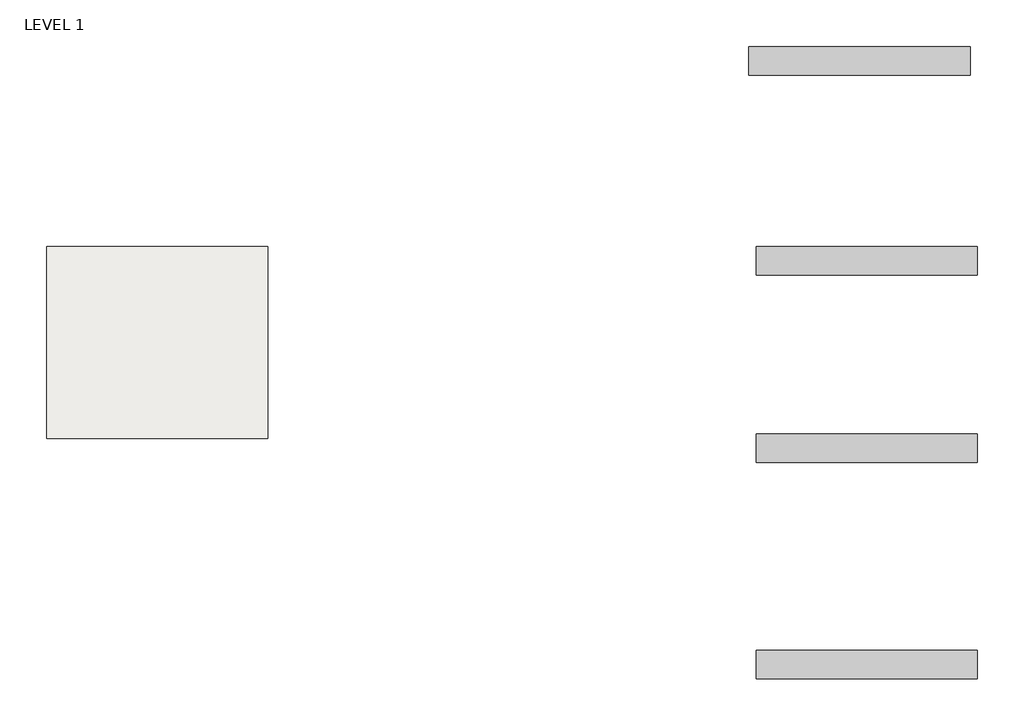
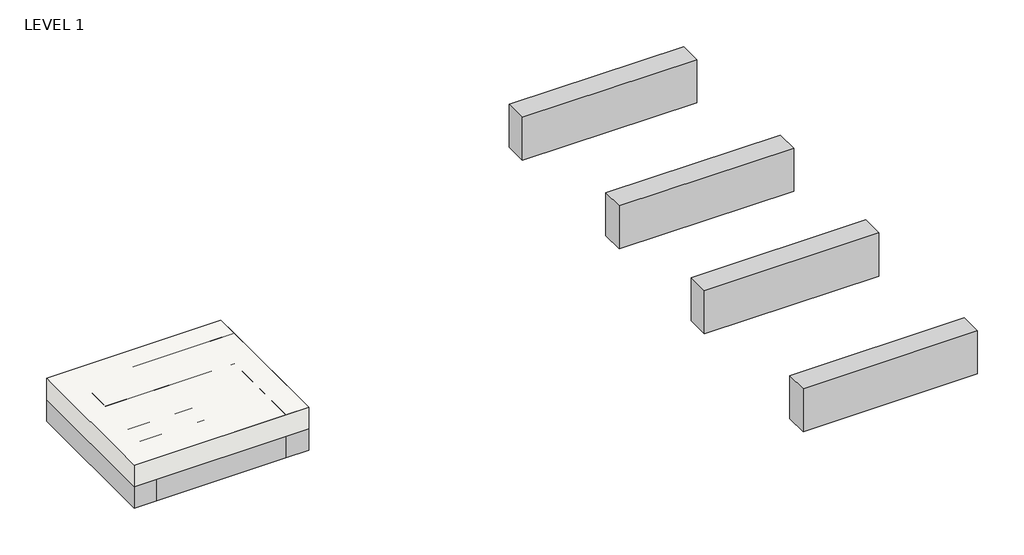
# One storey: 11 beams, 1 slab.
"""IFC4 building model written with IfcOpenShell, lengths in millimetres."""

from ifc_helpers import new_model, si_unit, frame, origin, place, context, project, spatial, polyline, outline, extrude, faceted_brep, element, save

model = new_model("IFC4")

# Units and contexts
model_context = context("Model", 3, world=origin())
ifc_project = project(units=[si_unit("LENGTHUNIT", "METRE", prefix="MILLI")], contexts=[model_context])

# Site, building, storey
site = spatial("IfcSite", under=ifc_project)
building = spatial("IfcBuilding", under=site)
storey = spatial("IfcBuildingStorey", under=building, Name="LEVEL 1", Elevation=0.0)

# Beams
placement = place(None, origin())
element("IfcBeam", 1, ObjectType="Concrete-Rectangular Beam", at=placement, inside=storey, context=model_context, shape_type="SweptSolid", body=[
    extrude(outline(polyline([(10463.1984842, 30470.6017558), (10463.1984842, 30673.8017558), (12190.3984842, 30673.8017558), (12190.3984842, 30470.6017558), (10463.1984842, 30470.6017558)])), frame((0.0, 0.0, -304.8), z_axis=(0.0, 0.0, 1.0), x_axis=(1.0, 0.0, 0.0)), (0.0, 0.0, 1.0), 304.8),
])
element("IfcBeam", 2, ObjectType="Concrete-Rectangular Beam", at=placement, inside=storey, context=model_context, shape_type="SweptSolid", body=[
    extrude(outline(polyline([(10463.1984842, 30191.2017558), (10463.1984842, 30394.4017558), (12190.3984842, 30394.4017558), (12190.3984842, 30191.2017558), (10463.1984842, 30191.2017558)])), frame((0.0, 0.0, -304.8), z_axis=(0.0, 0.0, 1.0), x_axis=(1.0, 0.0, 0.0)), (0.0, 0.0, 1.0), 304.8),
])
element("IfcBeam", 3, ObjectType="Concrete-Rectangular Beam : 12 x 24", at=placement, inside=storey, context=model_context, shape_type="Brep", body=[
    faceted_brep([(10463.1984842, 31842.2017558, 0.0), (10158.3984842, 31842.2017558, 0.0), (10158.3984842, 29810.2017558, 0.0), (10463.1984842, 29810.2017558, 0.0), (10463.1984842, 30115.0017558, 0.0), (10463.1984842, 30191.2017558, 0.0), (10463.1984842, 30394.4017558, 0.0), (10463.1984842, 30470.6017558, 0.0), (10463.1984842, 30673.8017558, 0.0), (10463.1984842, 31004.0017558, 0.0), (10463.1984842, 31308.8017558, 0.0), (10463.1984842, 31537.4017558, 0.0), (10463.1984842, 31842.2017558, -609.6), (10463.1984842, 29810.2017558, -609.6), (10463.1984842, 30115.0017558, -609.6), (10463.1984842, 31004.0017558, -609.6), (10463.1984842, 31308.8017558, -609.6), (10463.1984842, 31537.4017558, -609.6), (10158.3984842, 31842.2017558, -609.6), (10158.3984842, 29810.2017558, -609.6)], [[[0, 1, 2, 3, 4, 5, 6, 7, 8, 9, 10, 11]], [[12, 0, 11, 10, 9, 8, 7, 6, 5, 4, 3, 13, 14, 15, 16, 17]], [[18, 12, 17, 16, 15, 14, 13, 19]], [[1, 18, 19, 2]], [[1, 0, 12, 18]], [[3, 2, 19, 13]]]),
])
element("IfcBeam", 4, ObjectType="Concrete-Rectangular Beam : 12 x 24", at=placement, inside=storey, context=model_context, shape_type="Brep", body=[
    faceted_brep([(12495.1984842, 31537.4017558, 0.0), (12495.1984842, 31842.2017558, 0.0), (10463.1984842, 31842.2017558, 0.0), (10463.1984842, 31537.4017558, 0.0), (12190.3984842, 31537.4017558, 0.0), (12495.1984842, 31537.4017558, -609.6), (10463.1984842, 31537.4017558, -609.6), (12190.3984842, 31537.4017558, -609.6), (12495.1984842, 31842.2017558, -609.6), (10463.1984842, 31842.2017558, -609.6)], [[[0, 1, 2, 3, 4]], [[5, 0, 4, 3, 6, 7]], [[8, 5, 7, 6, 9]], [[1, 8, 9, 2]], [[3, 2, 9, 6]], [[1, 0, 5, 8]]]),
])
element("IfcBeam", 5, ObjectType="Concrete-Rectangular Beam : 12 x 24", at=placement, inside=storey, context=model_context, shape_type="Brep", body=[
    faceted_brep([(12190.3984842, 29810.2017558, 0.0), (12495.1984842, 29810.2017558, 0.0), (12495.1984842, 31537.4017558, 0.0), (12190.3984842, 31537.4017558, 0.0), (12190.3984842, 31308.8017558, 0.0), (12190.3984842, 31004.0017558, 0.0), (12190.3984842, 30673.8017558, 0.0), (12190.3984842, 30470.6017558, 0.0), (12190.3984842, 30394.4017558, 0.0), (12190.3984842, 30191.2017558, 0.0), (12190.3984842, 30115.0017558, 0.0), (12190.3984842, 29810.2017558, -609.6), (12190.3984842, 31537.4017558, -609.6), (12190.3984842, 31308.8017558, -609.6), (12190.3984842, 31004.0017558, -609.6), (12190.3984842, 30115.0017558, -609.6), (12495.1984842, 29810.2017558, -609.6), (12495.1984842, 31537.4017558, -609.6)], [[[0, 1, 2, 3, 4, 5, 6, 7, 8, 9, 10]], [[11, 0, 10, 9, 8, 7, 6, 5, 4, 3, 12, 13, 14, 15]], [[16, 11, 15, 14, 13, 12, 17]], [[1, 16, 17, 2]], [[3, 2, 17, 12]], [[1, 0, 11, 16]]]),
])
element("IfcBeam", 6, ObjectType="Concrete-Rectangular Beam : 12 x 24", at=placement, inside=storey, context=model_context, shape_type="SweptSolid", body=[
    extrude(outline(polyline([(12190.3984842, 30115.0017558), (12190.3984842, 29810.2017558), (10463.1984842, 29810.2017558), (10463.1984842, 30115.0017558), (12190.3984842, 30115.0017558)])), frame((0.0, 0.0, -609.6), z_axis=(0.0, 0.0, 1.0), x_axis=(1.0, 0.0, 0.0)), (0.0, 0.0, 1.0), 609.6),
])
element("IfcBeam", 7, ObjectType="Concrete-Rectangular Beam : 12 x 24", at=placement, inside=storey, context=model_context, shape_type="SweptSolid", body=[
    extrude(outline(polyline([(10463.1984842, 31004.0017558), (10463.1984842, 31308.8017558), (12190.3984842, 31308.8017558), (12190.3984842, 31004.0017558), (10463.1984842, 31004.0017558)])), frame((0.0, 0.0, -609.6), z_axis=(0.0, 0.0, 1.0), x_axis=(1.0, 0.0, 0.0)), (0.0, 0.0, 1.0), 609.6),
])
element("IfcBeam", 8, ObjectType="Concrete-Rectangular Beam : 12 x 24", at=placement, inside=storey, context=model_context, shape_type="SweptSolid", body=[
    extrude(outline(polyline([(19988.1984842, 31842.2017558), (19988.1984842, 31537.4017558), (17651.3984842, 31537.4017558), (17651.3984842, 31842.2017558), (19988.1984842, 31842.2017558)])), frame((0.0, 0.0, -609.6), z_axis=(0.0, 0.0, 1.0), x_axis=(1.0, 0.0, 0.0)), (0.0, 0.0, 1.0), 609.6),
])
element("IfcBeam", 9, ObjectType="Concrete-Rectangular Beam : 12 x 24", at=placement, inside=storey, context=model_context, shape_type="SweptSolid", body=[
    extrude(outline(polyline([(19988.1984842, 29861.0017558), (19988.1984842, 29556.2017558), (17651.3984842, 29556.2017558), (17651.3984842, 29861.0017558), (19988.1984842, 29861.0017558)])), frame((0.0, 0.0, -609.6), z_axis=(0.0, 0.0, 1.0), x_axis=(1.0, 0.0, 0.0)), (0.0, 0.0, 1.0), 609.6),
])
element("IfcBeam", 10, ObjectType="Concrete-Rectangular Beam : 12 x 24", at=placement, inside=storey, context=model_context, shape_type="SweptSolid", body=[
    extrude(outline(polyline([(19911.729927, 33953.5961445), (19911.729927, 33648.7961445), (17574.929927, 33648.7961445), (17574.929927, 33953.5961445), (19911.729927, 33953.5961445)])), frame((0.0, 0.0, -609.6), z_axis=(0.0, 0.0, 1.0), x_axis=(1.0, 0.0, 0.0)), (0.0, 0.0, 1.0), 609.6),
])
element("IfcBeam", 11, ObjectType="Concrete-Rectangular Beam : 12 x 24", at=placement, inside=storey, context=model_context, shape_type="SweptSolid", body=[
    extrude(outline(polyline([(19988.1984842, 27575.0017558), (19988.1984842, 27270.2017558), (17651.3984842, 27270.2017558), (17651.3984842, 27575.0017558), (19988.1984842, 27575.0017558)])), frame((0.0, 0.0, -609.6), z_axis=(0.0, 0.0, 1.0), x_axis=(1.0, 0.0, 0.0)), (0.0, 0.0, 1.0), 609.6),
])

# Slab
element("IfcSlab", 12, ObjectType="Floor 1", at=placement, inside=storey, context=model_context, shape_type="SweptSolid", body=[
    extrude(outline(polyline([(12495.1984842, 31842.2017558), (12495.1984842, 29810.2017558), (10158.3984842, 29810.2017558), (10158.3984842, 31842.2017558), (12495.1984842, 31842.2017558)])), frame((0.0, 0.0, -304.8), z_axis=(0.0, 0.0, 1.0), x_axis=(1.0, 0.0, 0.0)), (0.0, 0.0, 1.0), 304.8),
])

save(model, "model.ifc")
